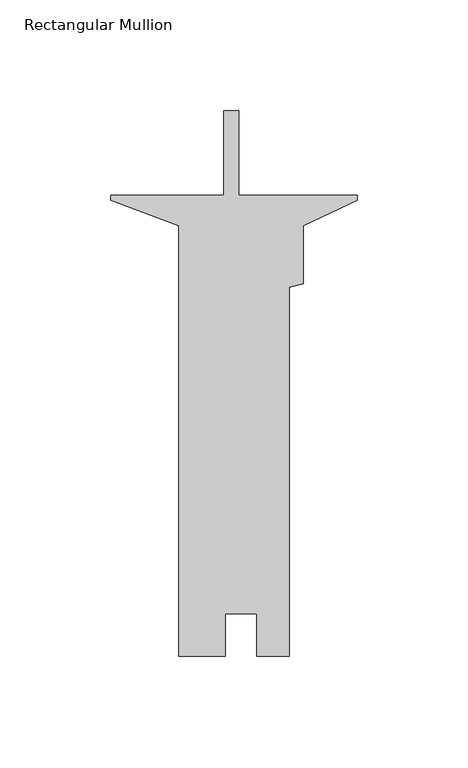
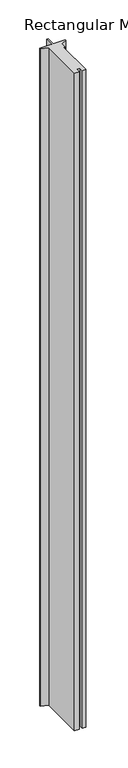
"""IFC4 building model written with IfcOpenShell, lengths in millimetres: member geometry, Rectangular Mullion."""

from ifc_helpers import new_model, si_unit, frame, origin, place, context, project, spatial, polyline, outline, extrude, source, transform, mapped, element, save


def rectangular_mullion_fb056181(model_context):
    return source(origin(), model_context, "Body", "SweptSolid", [
        extrude(outline(polyline([(-59.5756934, -208.2717782), (-80.4545, -208.2717782), (-80.4545, -14.1257159), (-111.125, -2.6892582), (-111.125, -0.3080082), (-60.2059375, -0.3080082), (-60.2059375, 37.7907654), (-53.4749375, 37.7907654), (-53.4749375, -0.3080082), (0.0, -0.3080082), (0.0, -2.6892582), (-24.3205, -13.980919), (-24.3205, -40.2472909), (-30.6705, -41.9487682), (-30.6705, -208.2717795), (-45.2628, -208.2717795), (-45.2628, -189.2471795), (-59.5756934, -189.2471795), (-59.5756934, -208.2717782)])), frame((0.0, 0.0, -3048.0), z_axis=(0.0, 0.0, 1.0), x_axis=(1.0, 0.0, 0.0)), (0.0, 0.0, 1.0), 3048.0),
    ])


if __name__ == "__main__":
    model = new_model("IFC4")
    model_context = context("Model", 3, world=origin())
    ifc_project = project(units=[si_unit("LENGTHUNIT", "METRE", prefix="MILLI")], contexts=[model_context])
    site = spatial("IfcSite", under=ifc_project)
    building = spatial("IfcBuilding", under=site)
    placement = place(None, origin())
    rectangular_mullion_shape = rectangular_mullion_fb056181(model_context)
    element("IfcMember", 1, ObjectType="Rectangular Mullion", at=placement, inside=building, context=model_context, shape_type="MappedRepresentation", body=[
        mapped(rectangular_mullion_shape, transform((0.0, 0.0, 0.0), x_axis=(1.0, 0.0, 0.0), y_axis=(0.0, 1.0, 0.0), z_axis=(0.0, 0.0, 1.0))),
    ])
    save(model, "model.ifc")
